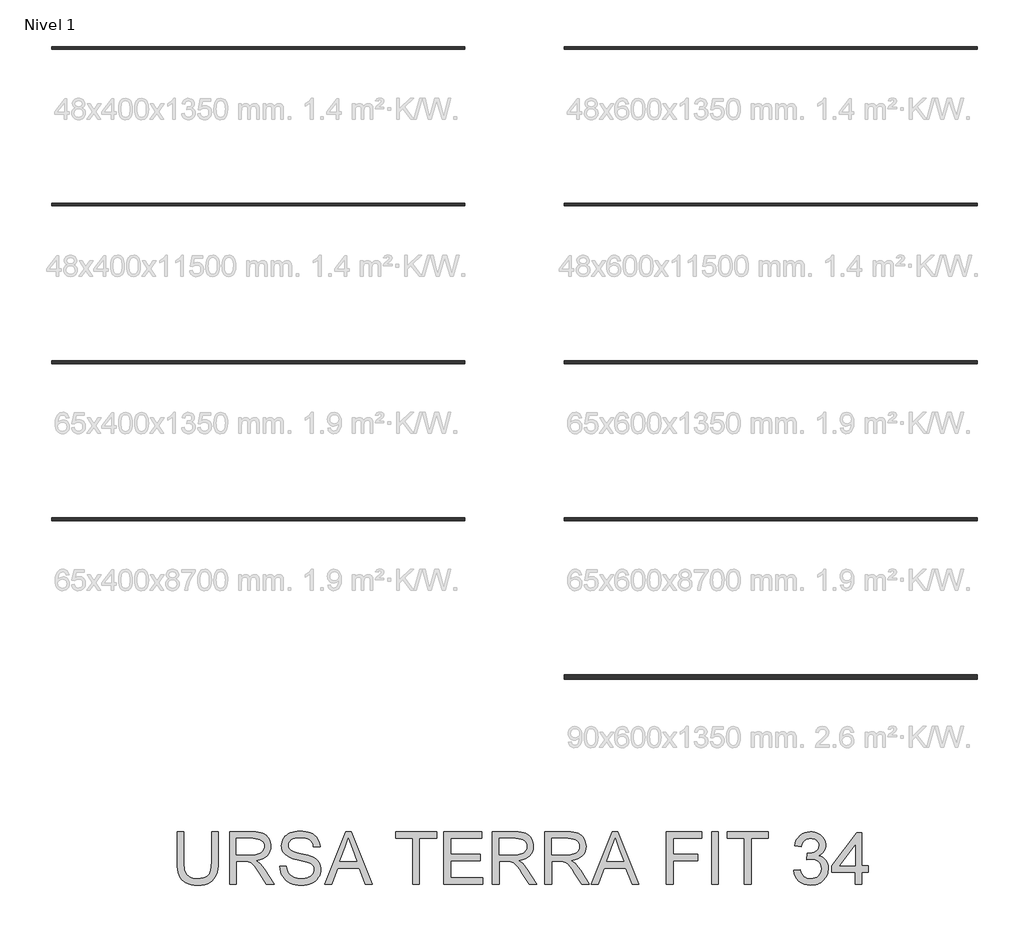
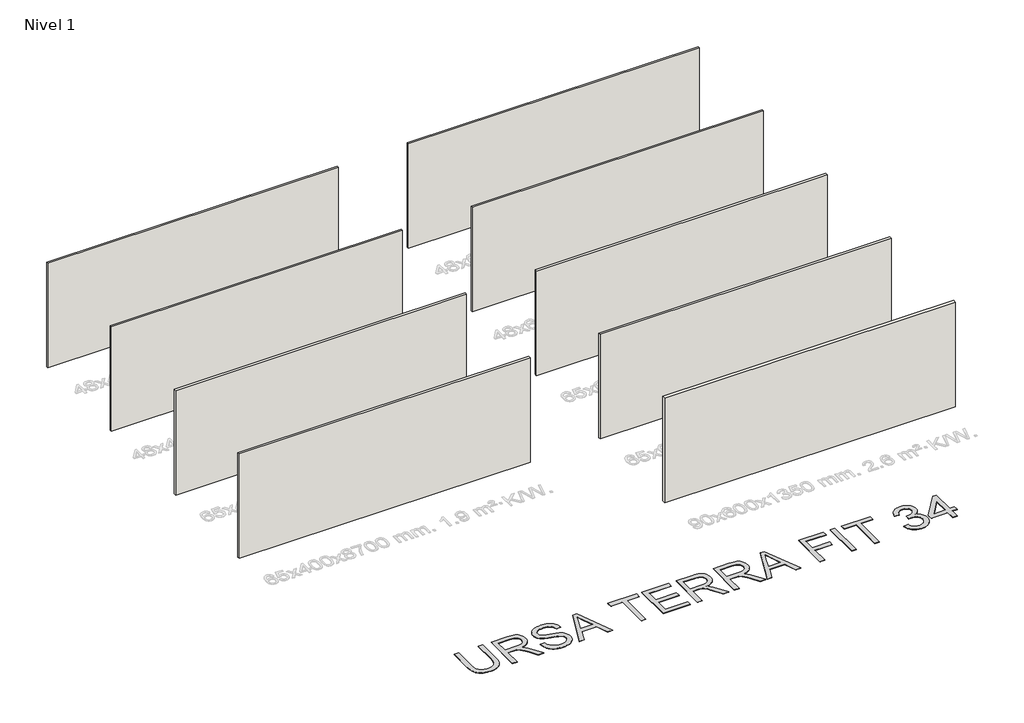
# One storey, part 1 of 10: 9 walls, 1 proxy.
"""IFC4 building model written with IfcOpenShell, lengths in millimetres."""

import ifcopenshell
import ifcopenshell.guid

model = None  # the IFC model being written
_history = None  # IfcOwnerHistory: only IFC2X3 demands one
_inside = {}  # id of a spatial element -> (the spatial element, [elements in it])
_under = {}  # id of a project, library or spatial element -> (it, [spatial elements below it])
_declared = {}  # id of a project -> (the project, [libraries it declares])
_typed = {}  # id of a type object -> (the type object, [elements of that type])
_made_of = {}  # id of a material, layer set ... -> (it, [elements and type objects made of it])


def new_model(schema):
    """Start an empty IFC model of exactly this schema.

    Asked for "IFC4X3", IfcOpenShell would pick the latest addendum, in which some entities
    have other attributes; the version numbers below select the first issue.
    IFC2X3 requires an IfcOwnerHistory on every rooted entity: one is made here for all.
    """
    global model, _history
    if schema == "IFC4X3":
        model = ifcopenshell.file(schema_version=(4, 3, 0, 0))
    else:
        model = ifcopenshell.file(schema=schema)
    _inside.clear()
    _under.clear()
    _declared.clear()
    _typed.clear()
    _made_of.clear()
    _history = None
    if model.schema == "IFC2X3":
        org = make("IfcOrganization", Name="unknown")
        user = make(
            "IfcPersonAndOrganization",
            ThePerson=make("IfcPerson", FamilyName="unknown"),
            TheOrganization=org,
        )
        app = make(
            "IfcApplication",
            ApplicationDeveloper=org,
            Version="unknown",
            ApplicationFullName="unknown",
            ApplicationIdentifier="unknown",
        )
        _history = make(
            "IfcOwnerHistory",
            OwningUser=user,
            OwningApplication=app,
            ChangeAction="ADDED",
            CreationDate=0,
        )
    return model


def make(cls, **values):
    """One entity of the class cls with the attributes given. An attribute that is None is left unset."""
    return model.create_entity(
        cls, **{name: value for name, value in values.items() if value is not None}
    )


def rooted(cls, **values):
    """An entity with a GlobalId (a new one), such as an element, a storey or a relation."""
    return make(cls, GlobalId=ifcopenshell.guid.new(), OwnerHistory=_history, **values)


def si_unit(unit_type, name, prefix=None):
    """IfcSIUnit, for example si_unit("LENGTHUNIT", "METRE", prefix="MILLI")."""
    return make("IfcSIUnit", UnitType=unit_type, Prefix=prefix, Name=name)


def assignment(units):
    """IfcUnitAssignment: the units of a project."""
    return None if units is None else make("IfcUnitAssignment", Units=units)


def point(xyz):
    """IfcCartesianPoint."""
    return None if xyz is None else make("IfcCartesianPoint", Coordinates=xyz)


def direction(xyz):
    """IfcDirection."""
    return None if xyz is None else make("IfcDirection", DirectionRatios=xyz)


def frame(location, z_axis=None, x_axis=None):
    """IfcAxis2Placement3D, a coordinate frame: its origin and axes. An axis left out is left unset."""
    return make(
        "IfcAxis2Placement3D",
        Location=point(location),
        Axis=direction(z_axis),
        RefDirection=direction(x_axis),
    )


def origin():
    """The frame at (0, 0, 0) with its axes left unset."""
    return frame((0.0, 0.0, 0.0))


def origin_with_axes():
    """The frame at (0, 0, 0) with the z axis (0, 0, 1) and the x axis (1, 0, 0) written out."""
    return frame((0.0, 0.0, 0.0), z_axis=(0.0, 0.0, 1.0), x_axis=(1.0, 0.0, 0.0))


def place(relative_to, where):
    """IfcLocalPlacement: puts the frame where relative to a parent placement (None: the world)."""
    return make(
        "IfcLocalPlacement", PlacementRelTo=relative_to, RelativePlacement=where
    )


def context(
    kind, dimensions, precision=None, world=None, true_north=None, identifier=None
):
    """IfcGeometricRepresentationContext, for example the 3D "Model" context."""
    return make(
        "IfcGeometricRepresentationContext",
        ContextIdentifier=identifier,
        ContextType=kind,
        CoordinateSpaceDimension=dimensions,
        Precision=precision,
        WorldCoordinateSystem=world,
        TrueNorth=true_north,
    )


def project(units=None, contexts=None):
    """IfcProject with its units and contexts."""
    return rooted(
        "IfcProject",
        Name="project",
        RepresentationContexts=contexts,
        UnitsInContext=assignment(units),
    )


def spatial(cls, under=None, at=None, **own):
    """A site, building, storey or space (cls), placed at a placement, below another one or the project."""
    s = rooted(cls, ObjectPlacement=at, **own)
    if under is not None:
        _under.setdefault(under.id(), (under, []))[1].append(s)
    return s


def polyline(points):
    """IfcPolyline through the points."""
    return make("IfcPolyline", Points=[point(p) for p in points])


def outline(outer, holes=None, kind="AREA"):
    """IfcArbitraryClosedProfileDef: a profile drawn as a closed curve; with holes, ...WithVoids."""
    if holes is None:
        return make("IfcArbitraryClosedProfileDef", ProfileType=kind, OuterCurve=outer)
    return make(
        "IfcArbitraryProfileDefWithVoids",
        ProfileType=kind,
        OuterCurve=outer,
        InnerCurves=holes,
    )


def extrude(swept, where, along, depth):
    """IfcExtrudedAreaSolid: the profile swept, set in the frame where, extruded along a direction by depth."""
    return make(
        "IfcExtrudedAreaSolid",
        SweptArea=swept,
        Position=where,
        ExtrudedDirection=direction(along),
        Depth=depth,
    )


def shape(context_of_items, identifier, shape_type, items):
    """IfcShapeRepresentation: the items that make up one representation, for example the "Body"."""
    return make(
        "IfcShapeRepresentation",
        ContextOfItems=context_of_items,
        RepresentationIdentifier=identifier,
        RepresentationType=shape_type,
        Items=items,
    )


def made_of(thing, what):
    """Note that an element or type object is made of a material, layer set ...; save() writes the relation."""
    if what is not None:
        _made_of.setdefault(what.id(), (what, []))[1].append(thing)
    return thing


def element(
    cls,
    number,
    at=None,
    inside=None,
    cuts=None,
    type_object=None,
    material=None,
    context=None,
    identifier="Body",
    shape_type=None,
    held_by="IfcProductDefinitionShape",
    body=None,
    shapes=None,
    **own,
):
    """One element of the class cls, such as IfcWall. Its Tag is "e" and its number.

    at: its placement. inside: the storey or other place that contains it. cuts: it is an
    opening in that element (IfcRelVoidsElement). A single representation is given by context,
    identifier, shape_type and body (its items); several are given by shapes. held_by: the class
    of the entity that holds the representations. save() writes the other relations.
    """
    e = rooted(cls, Tag="e%d" % number, ObjectPlacement=at, **own)
    if body is not None:
        shapes = [shape(context, identifier, shape_type, body)]
    if shapes is not None:
        e.Representation = make(held_by, Representations=shapes)
    if inside is not None:
        _inside.setdefault(inside.id(), (inside, []))[1].append(e)
    if cuts is not None:
        rooted(
            "IfcRelVoidsElement", RelatingBuildingElement=cuts, RelatedOpeningElement=e
        )
    if type_object is not None:
        _typed.setdefault(type_object.id(), (type_object, []))[1].append(e)
    return made_of(e, material)


def aggregate(whole, parts):
    """IfcRelAggregates: a whole, such as a stair, and the parts it consists of."""
    return rooted("IfcRelAggregates", RelatingObject=whole, RelatedObjects=parts)


def save(model, path):
    """Write the relations noted so far, then the file.

    IfcRelAggregates (storeys below a building ...), IfcRelContainedInSpatialStructure (elements
    in a storey), IfcRelDefinesByType, IfcRelAssociatesMaterial and IfcRelDeclares: one each for
    every whole, place, type object, material and project.
    """
    for whole, parts in _under.values():
        aggregate(whole, parts)
    for where, things in _inside.values():
        rooted(
            "IfcRelContainedInSpatialStructure",
            RelatedElements=things,
            RelatingStructure=where,
        )
    for kind, things in _typed.values():
        rooted("IfcRelDefinesByType", RelatedObjects=things, RelatingType=kind)
    for what, things in _made_of.values():
        rooted("IfcRelAssociatesMaterial", RelatedObjects=things, RelatingMaterial=what)
    for by, libraries in _declared.values():
        rooted("IfcRelDeclares", RelatingContext=by, RelatedDefinitions=libraries)
    model.write(path)


model = new_model("IFC4")

# Units and contexts
model_context = context("Model", 3, world=origin())
ifc_project = project(units=[si_unit("LENGTHUNIT", "METRE", prefix="MILLI")], contexts=[model_context])

# Site, building, storey
site = spatial("IfcSite", under=ifc_project)
building = spatial("IfcBuilding", under=site)
storey = spatial("IfcBuildingStorey", under=building, Name="Nivel 1", Elevation=0.0)

# Proxy
placement = place(None, origin())
element("IfcBuildingElementProxy", 1, Name="Texto de modelo 2", ObjectType="Texto de modelo 2", at=placement, inside=storey, context=model_context, shape_type="SweptSolid", body=[
    extrude(outline(polyline([(-8572.2679261, -11013.8387308), (-8446.6975384, -11013.8387308), (-8446.6975384, -11593.3755006), (-8448.8281883, -11665.1354823), (-8455.2201379, -11729.0933), (-8465.8733874, -11785.2489537), (-8480.7879366, -11833.6024434), (-8501.2513726, -11875.985515), (-8528.5512823, -11914.229914), (-8562.6876658, -11948.3356407), (-8603.660523, -11978.3026949), (-8651.5158392, -12002.7131981), (-8706.2995996, -12020.1492718), (-8768.0118043, -12030.6109161), (-8836.6524533, -12034.0981308), (-8903.5993122, -12031.0631043), (-8964.1542214, -12021.958025), (-9018.317181, -12006.7828927), (-9066.0881909, -11985.5377074), (-9107.4749154, -11958.5367018), (-9142.4850186, -11926.0941084), (-9171.1185006, -11888.2099271), (-9193.3753613, -11844.8841579), (-9210.0603426, -11794.6299446), (-9221.9781864, -11735.9604305), (-9229.1288927, -11668.8756159), (-9231.5124614, -11593.3755006), (-9231.5124614, -11013.8387308), (-9105.9420737, -11013.8387308), (-9105.9420737, -11588.9609166), (-9104.3939037, -11649.66911), (-9099.7493935, -11701.8087187), (-9092.0085432, -11745.3797425), (-9081.1713527, -11780.3821815), (-9066.5633718, -11809.3452244), (-9047.5101502, -11834.7980599), (-9024.0116877, -11856.7406881), (-8996.0679845, -11875.1731089), (-8964.2155351, -11889.7657614), (-8928.9908341, -11900.1890846), (-8890.3938814, -11906.4430785), (-8848.4246771, -11908.5277431), (-8779.2168768, -11904.4043991), (-8720.7083111, -11892.034367), (-8672.8989802, -11871.4176468), (-8653.0065277, -11858.0167788), (-8635.7888839, -11842.5542386), (-8620.9011594, -11824.1601389), (-8607.9984649, -11801.9645918), (-8588.1481655, -11746.1691559), (-8576.2379859, -11675.1679308), (-8572.2679261, -11588.9609166), (-8572.2679261, -11013.8387308)])), origin_with_axes(), (0.0, 0.0, 1.0), 10.0),
    extrude(outline(polyline([(-8226.9493599, -12018.4018323), (-8226.9493599, -11013.8387308), (-7794.0748789, -11013.8387308), (-7731.9411428, -11015.5325209), (-7677.732198, -11020.6138909), (-7631.4480444, -11029.082841), (-7593.0886822, -11040.9393712), (-7560.4238268, -11057.0955221), (-7531.2231934, -11078.4633347), (-7505.4867821, -11105.0428088), (-7483.214593, -11136.8339446), (-7465.2420247, -11172.1276235), (-7452.4044759, -11209.2147271), (-7444.7019466, -11248.0952555), (-7442.1344369, -11288.7692086), (-7446.3880725, -11340.3646584), (-7459.1489792, -11387.7294653), (-7480.417157, -11430.8636292), (-7510.192606, -11469.7671502), (-7548.8585365, -11503.1984265), (-7596.798159, -11529.9158564), (-7654.0114735, -11549.9194399), (-7720.4984799, -11563.209177), (-7679.1117554, -11590.2485036), (-7649.1293728, -11616.9199483), (-7597.6872072, -11677.9270458), (-7547.3486875, -11746.1691559), (-7379.8397524, -12018.4018323), (-7525.7662771, -12018.4018323), (-7656.4870127, -11810.1806231), (-7708.7875697, -11730.7181121), (-7750.9100582, -11672.3475022), (-7786.0121319, -11632.1563942), (-7817.2514446, -11607.2323891), (-7846.8352884, -11592.6090798), (-7876.9709552, -11583.3200594), (-7949.8115902, -11578.9054754), (-8101.3789722, -11578.9054754), (-8101.3789722, -12018.4018323), (-8226.9493599, -12018.4018323)]), holes=[polyline([(-8101.3789722, -11453.3350877), (-7820.3171279, -11453.3350877), (-7739.5976868, -11448.889847), (-7676.9657771, -11435.5541246), (-7651.7811889, -11425.3300709), (-7629.8155681, -11412.4388726), (-7611.0689148, -11396.8805299), (-7595.5412289, -11378.6550427), (-7583.362802, -11358.6591234), (-7574.6639257, -11337.7894844), (-7569.4445998, -11316.0461257), (-7567.7048246, -11293.4290472), (-7571.0234267, -11261.3160147), (-7580.9792332, -11232.176695), (-7597.5722441, -11206.0110881), (-7620.8024592, -11182.819194), (-7651.2063733, -11163.827286), (-7689.3204808, -11150.2616374), (-7735.1447818, -11142.1222482), (-7788.6792763, -11139.4091185), (-8101.3789722, -11139.4091185), (-8101.3789722, -11453.3350877)])]), origin_with_axes(), (0.0, 0.0, 1.0), 10.0),
    extrude(outline(polyline([(-7269.4751538, -11673.0832662), (-7143.9047661, -11673.0832662), (-7138.15661, -11709.6338753), (-7129.4960547, -11742.7662475), (-7117.9231002, -11772.4803828), (-7103.4377467, -11798.7762812), (-7085.30423, -11822.1827732), (-7062.7867862, -11843.228689), (-7035.8854153, -11861.9140286), (-7004.6001173, -11878.2387922), (-6970.0805234, -11891.4902082), (-6933.4762649, -11900.9555054), (-6894.7873417, -11906.6346837), (-6854.0137539, -11908.5277431), (-6784.0548612, -11902.7949154), (-6752.3403675, -11895.6288807), (-6722.802509, -11885.5964321), (-6696.1693854, -11873.0577874), (-6673.1690965, -11858.3731644), (-6653.8016423, -11841.5425632), (-6638.0670228, -11822.5659836), (-6625.8885959, -11802.263496), (-6617.1897195, -11781.4551706), (-6611.9703937, -11760.1410075), (-6610.2306185, -11738.3210067), (-6615.4422801, -11696.2904887), (-6631.0772649, -11659.9621417), (-6644.2290462, -11643.8443118), (-6662.8377438, -11628.9680836), (-6686.9033576, -11615.3334572), (-6716.4258877, -11602.9404325), (-6782.7366174, -11583.2280889), (-6899.2632393, -11554.9931457), (-7019.2847403, -11523.2633237), (-7063.0856903, -11507.9732282), (-7096.0801068, -11493.0663432), (-7129.6110178, -11473.0627597), (-7158.5893891, -11450.8212274), (-7183.0152207, -11426.3417463), (-7202.8885127, -11399.6243164), (-7218.285907, -11370.9448492), (-7229.2840458, -11340.5792562), (-7235.8829291, -11308.5275374), (-7238.0825569, -11274.7896928), (-7235.361763, -11237.3960208), (-7227.1993812, -11201.2439506), (-7213.5954116, -11166.333482), (-7194.5498541, -11132.6646153), (-7170.2773067, -11101.6092435), (-7140.992367, -11074.53926), (-7106.6950352, -11051.4546648), (-7067.3853111, -11032.3554579), (-7024.3891029, -11017.3872593), (-6979.0323186, -11006.6956888), (-6931.3149582, -11000.2807465), (-6881.2370216, -10998.1424324), (-6826.6065453, -11000.3803812), (-6775.287007, -11007.0942276), (-6727.2784066, -11018.2839716), (-6682.5807442, -11033.9496132), (-6642.0217542, -11053.9531967), (-6606.4291712, -11078.1567663), (-6575.8029951, -11106.560322), (-6550.1432259, -11139.1638639), (-6529.6491331, -11175.01703), (-6514.5199861, -11213.1694586), (-6504.7557848, -11253.6211496), (-6500.3565292, -11296.3721031), (-6625.9269169, -11296.3721031), (-6634.3268891, -11256.3036225), (-6648.9808553, -11221.4468035), (-6669.8888153, -11191.801646), (-6697.0507693, -11167.3681502), (-6730.972555, -11148.2689432), (-6772.16001, -11134.6266526), (-6820.6131345, -11126.4412782), (-6876.3319283, -11123.7128201), (-6933.8288185, -11126.4106214), (-6982.9563932, -11134.5040253), (-7023.7146526, -11147.9930317), (-7056.1035966, -11166.8776408), (-7080.7823471, -11189.5790256), (-7098.4100261, -11214.5183592), (-7108.9866334, -11241.6956416), (-7112.5121692, -11271.1108728), (-7110.0136373, -11296.4180884), (-7102.5180417, -11319.3647278), (-7090.0253823, -11339.9507911), (-7072.5356591, -11358.1762783), (-7045.0058231, -11375.4360753), (-7001.6570613, -11392.8798132), (-6942.4893738, -11410.5074921), (-6867.5027604, -11428.3191121), (-6729.0565029, -11461.9803146), (-6680.3427954, -11477.2014322), (-6645.3020353, -11491.3495606), (-6606.8047174, -11512.7940152), (-6573.7183304, -11536.9056143), (-6546.0428745, -11563.6843579), (-6523.7783496, -11593.1302459), (-6506.6641726, -11625.0899942), (-6494.4397605, -11659.4103187), (-6487.1051132, -11696.0912193), (-6484.6602308, -11735.1326961), (-6487.4729952, -11774.4117632), (-6495.9112885, -11812.5411992), (-6509.9751106, -11849.5210039), (-6529.6644615, -11885.3511774), (-6554.6344519, -11918.644498), (-6584.5401925, -11948.0137439), (-6619.3816831, -11973.4589153), (-6659.1589238, -11994.980012), (-6702.7146192, -12012.094189), (-6748.8914738, -12024.3186011), (-6797.6894876, -12031.6532484), (-6849.1086607, -12034.0981308), (-6913.3423899, -12031.4616432), (-6972.1345312, -12023.5521803), (-7025.4850847, -12010.3697421), (-7073.3940504, -11991.9143287), (-7116.1526681, -11968.1552832), (-7154.0521778, -11939.0619487), (-7187.0925795, -11904.6343253), (-7215.2738732, -11864.872413), (-7237.975258, -11821.0637988), (-7254.575933, -11774.4960695), (-7265.0758983, -11725.1692253), (-7269.4751538, -11673.0832662)])), origin_with_axes(), (0.0, 0.0, 1.0), 10.0),
    extrude(outline(polyline([(-6413.2911237, -12018.4018323), (-6012.299749, -11013.8387308), (-5905.3687157, -11013.8387308), (-5504.377341, -12018.4018323), (-5637.0601139, -12018.4018323), (-5752.084551, -11704.4758631), (-6165.8291683, -11704.4758631), (-6280.6083508, -12018.4018323), (-6413.2911237, -12018.4018323)]), holes=[polyline([(-6119.7212916, -11578.9054754), (-5797.9471731, -11578.9054754), (-5888.4461439, -11331.9340293), (-5958.8342323, -11139.4091185), (-6021.3741715, -11310.351619), (-6119.7212916, -11578.9054754)])]), origin_with_axes(), (0.0, 0.0, 1.0), 10.0),
    extrude(outline(polyline([(-4726.6748032, -12018.4018323), (-4726.6748032, -11139.4091185), (-5056.2970708, -11139.4091185), (-5056.2970708, -11013.8387308), (-4271.4821478, -11013.8387308), (-4271.4821478, -11139.4091185), (-4601.1044155, -11139.4091185), (-4601.1044155, -12018.4018323), (-4726.6748032, -12018.4018323)])), origin_with_axes(), (0.0, 0.0, 1.0), 10.0),
    extrude(outline(polyline([(-4130.2154616, -12018.4018323), (-4130.2154616, -11013.8387308), (-3408.1857324, -11013.8387308), (-3408.1857324, -11139.4091185), (-4004.645074, -11139.4091185), (-4004.645074, -11437.6387893), (-3439.5783294, -11437.6387893), (-3439.5783294, -11563.209177), (-4004.645074, -11563.209177), (-4004.645074, -11892.8314446), (-3392.489434, -11892.8314446), (-3392.489434, -12018.4018323), (-4130.2154616, -12018.4018323)])), origin_with_axes(), (0.0, 0.0, 1.0), 10.0),
    extrude(outline(polyline([(-3204.1338525, -12018.4018323), (-3204.1338525, -11013.8387308), (-2771.2593715, -11013.8387308), (-2709.1256353, -11015.5325209), (-2654.9166905, -11020.6138909), (-2608.632537, -11029.082841), (-2570.2731748, -11040.9393712), (-2537.6083193, -11057.0955221), (-2508.4076859, -11078.4633347), (-2482.6712747, -11105.0428088), (-2460.3990855, -11136.8339446), (-2442.4265172, -11172.1276235), (-2429.5889684, -11209.2147271), (-2421.8864392, -11248.0952555), (-2419.3189294, -11288.7692086), (-2423.572565, -11340.3646584), (-2436.3334717, -11387.7294653), (-2457.6016495, -11430.8636292), (-2487.3770985, -11469.7671502), (-2526.0430291, -11503.1984265), (-2573.9826515, -11529.9158564), (-2631.195966, -11549.9194399), (-2697.6829724, -11563.209177), (-2656.296248, -11590.2485036), (-2626.3138654, -11616.9199483), (-2574.8716997, -11677.9270458), (-2524.53318, -11746.1691559), (-2357.0242449, -12018.4018323), (-2502.9507696, -12018.4018323), (-2633.6715053, -11810.1806231), (-2685.9720622, -11730.7181121), (-2728.0945507, -11672.3475022), (-2763.1966244, -11632.1563942), (-2794.4359372, -11607.2323891), (-2824.0197809, -11592.6090798), (-2854.1554477, -11583.3200594), (-2926.9960828, -11578.9054754), (-3078.5634648, -11578.9054754), (-3078.5634648, -12018.4018323), (-3204.1338525, -12018.4018323)]), holes=[polyline([(-3078.5634648, -11453.3350877), (-2797.5016205, -11453.3350877), (-2716.7821793, -11448.889847), (-2654.1502697, -11435.5541246), (-2628.9656814, -11425.3300709), (-2607.0000606, -11412.4388726), (-2588.2534073, -11396.8805299), (-2572.7257214, -11378.6550427), (-2560.5472945, -11358.6591234), (-2551.8484182, -11337.7894844), (-2546.6290924, -11316.0461257), (-2544.8893171, -11293.4290472), (-2548.2079193, -11261.3160147), (-2558.1637258, -11232.176695), (-2574.7567366, -11206.0110881), (-2597.9869517, -11182.819194), (-2628.3908658, -11163.827286), (-2666.5049733, -11150.2616374), (-2712.3292744, -11142.1222482), (-2765.8637689, -11139.4091185), (-3078.5634648, -11139.4091185), (-3078.5634648, -11453.3350877)])]), origin_with_axes(), (0.0, 0.0, 1.0), 10.0),
    extrude(outline(polyline([(-2199.570751, -12018.4018323), (-2199.570751, -11013.8387308), (-1766.69627, -11013.8387308), (-1704.5625338, -11015.5325209), (-1650.353589, -11020.6138909), (-1604.0694355, -11029.082841), (-1565.7100733, -11040.9393712), (-1533.0452178, -11057.0955221), (-1503.8445844, -11078.4633347), (-1478.1081732, -11105.0428088), (-1455.835984, -11136.8339446), (-1437.8634157, -11172.1276235), (-1425.0258669, -11209.2147271), (-1417.3233377, -11248.0952555), (-1414.7558279, -11288.7692086), (-1419.0094635, -11340.3646584), (-1431.7703702, -11387.7294653), (-1453.038548, -11430.8636292), (-1482.813997, -11469.7671502), (-1521.4799276, -11503.1984265), (-1569.4195501, -11529.9158564), (-1626.6328645, -11549.9194399), (-1693.1198709, -11563.209177), (-1651.7331465, -11590.2485036), (-1621.7507639, -11616.9199483), (-1570.3085982, -11677.9270458), (-1519.9700785, -11746.1691559), (-1352.4611434, -12018.4018323), (-1498.3876681, -12018.4018323), (-1629.1084038, -11810.1806231), (-1681.4089608, -11730.7181121), (-1723.5314492, -11672.3475022), (-1758.6335229, -11632.1563942), (-1789.8728357, -11607.2323891), (-1819.4566794, -11592.6090798), (-1849.5923462, -11583.3200594), (-1922.4329813, -11578.9054754), (-2074.0003633, -11578.9054754), (-2074.0003633, -12018.4018323), (-2199.570751, -12018.4018323)]), holes=[polyline([(-2074.0003633, -11453.3350877), (-1792.938519, -11453.3350877), (-1712.2190778, -11448.889847), (-1649.5871682, -11435.5541246), (-1624.4025799, -11425.3300709), (-1602.4369591, -11412.4388726), (-1583.6903058, -11396.8805299), (-1568.1626199, -11378.6550427), (-1555.984193, -11358.6591234), (-1547.2853167, -11337.7894844), (-1542.0659909, -11316.0461257), (-1540.3262156, -11293.4290472), (-1543.6448178, -11261.3160147), (-1553.6006243, -11232.176695), (-1570.1936351, -11206.0110881), (-1593.4238502, -11182.819194), (-1623.8277643, -11163.827286), (-1661.9418718, -11150.2616374), (-1707.7661729, -11142.1222482), (-1761.3006674, -11139.4091185), (-2074.0003633, -11139.4091185), (-2074.0003633, -11453.3350877)])]), origin_with_axes(), (0.0, 0.0, 1.0), 10.0),
    extrude(outline(polyline([(-1311.9941239, -12018.4018323), (-911.0027492, -11013.8387308), (-804.0717159, -11013.8387308), (-403.0803412, -12018.4018323), (-535.7631141, -12018.4018323), (-650.7875513, -11704.4758631), (-1064.5321685, -11704.4758631), (-1179.311351, -12018.4018323), (-1311.9941239, -12018.4018323)]), holes=[polyline([(-1018.4242918, -11578.9054754), (-696.6501733, -11578.9054754), (-787.1491441, -11331.9340293), (-857.5372326, -11139.4091185), (-920.0771717, -11310.351619), (-1018.4242918, -11578.9054754)])]), origin_with_axes(), (0.0, 0.0, 1.0), 10.0),
    extrude(outline(polyline([(123.4814213, -12018.4018323), (123.4814213, -11013.8387308), (798.4222551, -11013.8387308), (798.4222551, -11139.4091185), (249.0518089, -11139.4091185), (249.0518089, -11437.6387893), (719.9407628, -11437.6387893), (719.9407628, -11563.209177), (249.0518089, -11563.209177), (249.0518089, -12018.4018323), (123.4814213, -12018.4018323)])), origin_with_axes(), (0.0, 0.0, 1.0), 10.0),
    extrude(outline(polyline([(986.7778366, -12018.4018323), (986.7778366, -11013.8387308), (1112.3482243, -11013.8387308), (1112.3482243, -12018.4018323), (986.7778366, -12018.4018323)])), origin_with_axes(), (0.0, 0.0, 1.0), 10.0),
    extrude(outline(polyline([(1614.629775, -12018.4018323), (1614.629775, -11139.4091185), (1285.0075074, -11139.4091185), (1285.0075074, -11013.8387308), (2069.8224304, -11013.8387308), (2069.8224304, -11139.4091185), (1740.2001627, -11139.4091185), (1740.2001627, -12018.4018323), (1614.629775, -12018.4018323)])), origin_with_axes(), (0.0, 0.0, 1.0), 10.0),
    extrude(outline(polyline([(2556.4076827, -11751.5647585), (2681.9780704, -11735.86846), (2694.4017519, -11778.5274431), (2710.0903862, -11814.779148), (2729.0439731, -11844.6235749), (2751.2625128, -11868.0607236), (2777.2518429, -11885.7650447), (2807.5178012, -11898.4109882), (2842.0603877, -11905.9985544), (2880.8796024, -11908.5277431), (2926.3743425, -11905.0481926), (2966.9639893, -11894.609541), (3002.6485428, -11877.2117883), (3033.4280031, -11852.8549345), (3058.2140525, -11823.3630612), (3075.9183735, -11790.56025), (3086.5409662, -11754.4465008), (3090.0818304, -11715.0218136), (3086.571623, -11677.4748575), (3076.0410009, -11643.3154814), (3058.489964, -11612.5436854), (3033.9185124, -11585.1594694), (3003.9361298, -11562.6803466), (2970.1522999, -11546.6238304), (2932.5670228, -11536.9899206), (2891.1802983, -11533.7786174), (2851.5103565, -11537.2121826), (2803.1338741, -11547.5128785), (2817.1133899, -11421.9424908), (2837.2242723, -11423.4140188), (2875.8365534, -11421.1607416), (2912.4561404, -11414.4009099), (2947.0830332, -11403.1345238), (2979.7172318, -11387.3615833), (3007.4003519, -11366.9134757), (3027.1740092, -11341.6215885), (3039.0382035, -11311.4859218), (3042.992935, -11276.5064754), (3040.1265211, -11248.1105839), (3031.5272795, -11222.2745379), (3017.1952101, -11198.9983375), (2997.1303129, -11178.2819827), (2972.5435329, -11161.2751046), (2944.6458149, -11149.1273346), (2913.437159, -11141.8386725), (2878.9175651, -11139.4091185), (2844.4899417, -11141.8616652), (2813.066688, -11149.2193051), (2784.6478039, -11161.4820382), (2759.2332894, -11178.6498647), (2737.4516096, -11200.7227844), (2719.9312295, -11227.7007974), (2706.6721493, -11259.5839036), (2697.6743688, -11296.3721031), (2572.1039811, -11280.6758047), (2586.9878735, -11220.7263679), (2609.0761217, -11167.9199732), (2638.3687255, -11122.2566205), (2674.8656851, -11083.7363099), (2717.4173692, -11053.1561191), (2764.8741466, -11031.3131256), (2817.2360173, -11018.2073295), (2874.5029812, -11013.8387308), (2914.7783954, -11015.9923734), (2953.444326, -11022.4533009), (2990.5007728, -11033.2215135), (3025.9477359, -11048.2970111), (3058.5512777, -11067.1049781), (3087.0774607, -11089.0705989), (3111.526285, -11114.1938734), (3131.8977505, -11142.4748018), (3147.9389383, -11172.7867454), (3159.3969296, -11204.0030655), (3166.2717244, -11236.1237622), (3168.5633227, -11269.1488355), (3166.3866875, -11300.2042073), (3159.8567821, -11329.8493647), (3148.9736064, -11358.0843078), (3133.7371605, -11384.9090366), (3114.2394147, -11409.6950861), (3090.5723397, -11431.813991), (3062.7359354, -11451.2657515), (3030.7302018, -11468.0503676), (3072.5767788, -11481.1408352), (3109.3343214, -11499.8108465), (3141.0028299, -11524.0604013), (3167.582304, -11553.8894998), (3188.6128914, -11588.5623778), (3203.6347395, -11627.3432715), (3212.6478484, -11670.2321807), (3215.652218, -11717.2291056), (3209.6434788, -11780.9340045), (3202.1325547, -11810.9010586), (3191.617261, -11839.6111827), (3178.0975977, -11867.0643766), (3161.5735648, -11893.2606403), (3119.51239, -11941.8823773), (3094.6841874, -11963.4954446), (3068.2694937, -11982.2267695), (3040.2683089, -11998.0763521), (3010.6806331, -12011.0441924), (2979.5064661, -12021.1302905), (2946.745808, -12028.3346462), (2876.4650185, -12034.0981308), (2812.9440607, -12029.1777091), (2755.0639601, -12014.4164441), (2702.8247168, -11989.8143356), (2656.2263307, -11955.3713838), (2617.1541971, -11913.1109396), (2587.4937113, -11865.056354), (2567.2448731, -11811.207627), (2556.4076827, -11751.5647585)])), origin_with_axes(), (0.0, 0.0, 1.0), 10.0),
    extrude(outline(polyline([(3733.6300673, -12018.4018323), (3733.6300673, -11782.9573554), (3278.4374119, -11782.9573554), (3278.4374119, -11657.3869677), (3765.0226642, -11029.5350293), (3859.2004549, -11029.5350293), (3859.2004549, -11657.3869677), (3984.7708426, -11657.3869677), (3984.7708426, -11782.9573554), (3859.2004549, -11782.9573554), (3859.2004549, -12018.4018323), (3733.6300673, -12018.4018323)]), holes=[polyline([(3733.6300673, -11657.3869677), (3733.6300673, -11269.3940902), (3432.9478499, -11657.3869677), (3733.6300673, -11657.3869677)])]), origin_with_axes(), (0.0, 0.0, 1.0), 10.0),
])

# Walls
element("IfcWall", 2, at=placement, inside=storey, context=model_context, shape_type="SweptSolid", body=[
    extrude(outline(polyline([(-3731.2417232, 3952.3831431), (-11631.2417232, 3952.3831431), (-11631.2417232, 4000.3831431), (-3731.2417232, 4000.3831431), (-3731.2417232, 3952.3831431)])), origin_with_axes(), (0.0, 0.0, 1.0), 3000.0),
])
element("IfcWall", 3, at=placement, inside=storey, context=model_context, shape_type="SweptSolid", body=[
    extrude(outline(polyline([(6068.7582768, 3952.3831431), (-1831.2417232, 3952.3831431), (-1831.2417232, 4000.3831431), (6068.7582768, 4000.3831431), (6068.7582768, 3952.3831431)])), origin_with_axes(), (0.0, 0.0, 1.0), 3000.0),
])
element("IfcWall", 4, at=placement, inside=storey, context=model_context, shape_type="SweptSolid", body=[
    extrude(outline(polyline([(6068.7582768, 952.3831431), (-1831.2417232, 952.3831431), (-1831.2417232, 1000.3831431), (6068.7582768, 1000.3831431), (6068.7582768, 952.3831431)])), origin_with_axes(), (0.0, 0.0, 1.0), 3000.0),
])
element("IfcWall", 5, at=placement, inside=storey, context=model_context, shape_type="SweptSolid", body=[
    extrude(outline(polyline([(6068.7582768, -2068.6168569), (-1831.2417232, -2068.6168569), (-1831.2417232, -2003.6168569), (6068.7582768, -2003.6168569), (6068.7582768, -2068.6168569)])), origin_with_axes(), (0.0, 0.0, 1.0), 3000.0),
])
element("IfcWall", 6, at=placement, inside=storey, context=model_context, shape_type="SweptSolid", body=[
    extrude(outline(polyline([(6068.7582768, -5068.6168569), (-1831.2417232, -5068.6168569), (-1831.2417232, -5003.6168569), (6068.7582768, -5003.6168569), (6068.7582768, -5068.6168569)])), origin_with_axes(), (0.0, 0.0, 1.0), 3000.0),
])
element("IfcWall", 7, at=placement, inside=storey, context=model_context, shape_type="SweptSolid", body=[
    extrude(outline(polyline([(6068.7582768, -8097.6168569), (-1831.2417232, -8097.6168569), (-1831.2417232, -8007.6168569), (6068.7582768, -8007.6168569), (6068.7582768, -8097.6168569)])), origin_with_axes(), (0.0, 0.0, 1.0), 3000.0),
])
element("IfcWall", 8, at=placement, inside=storey, context=model_context, shape_type="SweptSolid", body=[
    extrude(outline(polyline([(-3731.2417232, -5068.6168569), (-11631.2417232, -5068.6168569), (-11631.2417232, -5003.6168569), (-3731.2417232, -5003.6168569), (-3731.2417232, -5068.6168569)])), origin_with_axes(), (0.0, 0.0, 1.0), 3000.0),
])
element("IfcWall", 9, at=placement, inside=storey, context=model_context, shape_type="SweptSolid", body=[
    extrude(outline(polyline([(-3731.2417232, -2068.6168569), (-11631.2417232, -2068.6168569), (-11631.2417232, -2003.6168569), (-3731.2417232, -2003.6168569), (-3731.2417232, -2068.6168569)])), origin_with_axes(), (0.0, 0.0, 1.0), 3000.0),
])
element("IfcWall", 10, at=placement, inside=storey, context=model_context, shape_type="SweptSolid", body=[
    extrude(outline(polyline([(-3731.2417232, 952.3831431), (-11631.2417232, 952.3831431), (-11631.2417232, 1000.3831431), (-3731.2417232, 1000.3831431), (-3731.2417232, 952.3831431)])), origin_with_axes(), (0.0, 0.0, 1.0), 3000.0),
])

save(model, "model.ifc")
